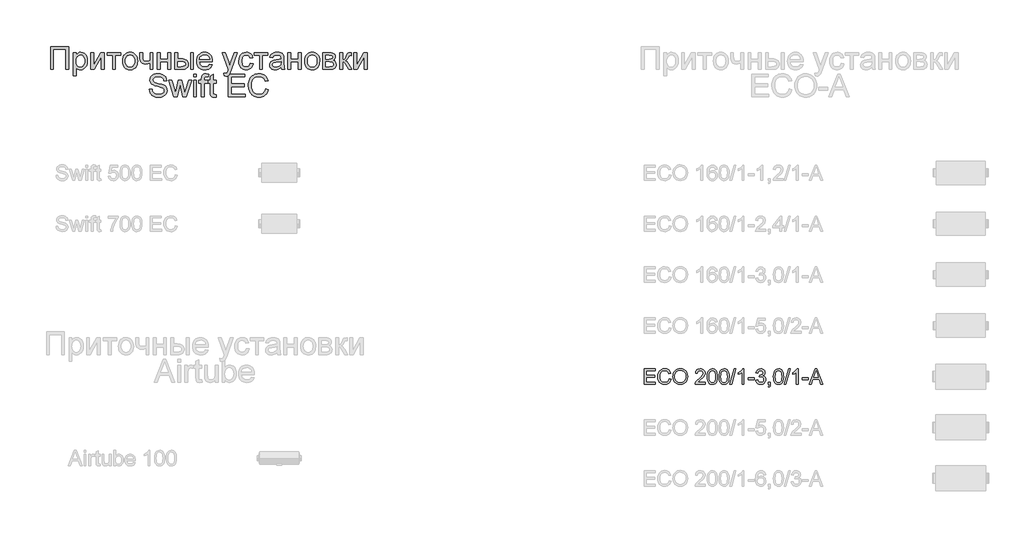
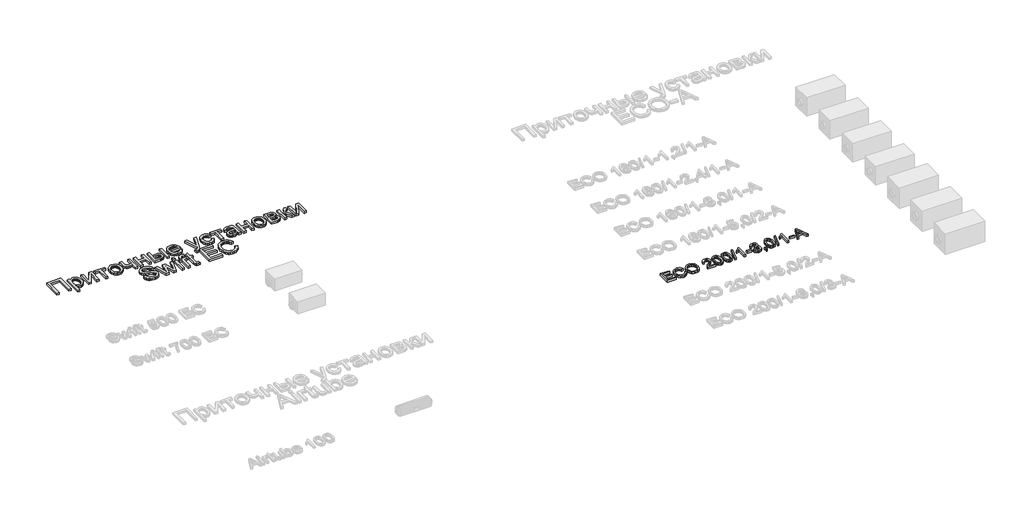
# One storey, part 34 of 74: 2 proxies.
"""IFC4 building model written with IfcOpenShell, lengths in millimetres."""

from ifc_helpers import new_model, si_unit, origin, origin_with_axes, place, context, project, spatial, polyline, outline, extrude, element, save

model = new_model("IFC4")

# Units and contexts
model_context = context("Model", 3, world=origin())
ifc_project = project(units=[si_unit("LENGTHUNIT", "METRE", prefix="MILLI")], contexts=[model_context])

# Site, building, storey
site = spatial("IfcSite", under=ifc_project)
building = spatial("IfcBuilding", under=site)
storey = spatial("IfcBuildingStorey", under=building, Elevation=0.0)

# Proxies
placement = place(None, origin())
element("IfcBuildingElementProxy", 1, Name="Generic Models", at=placement, inside=storey, context=model_context, shape_type="SweptSolid", body=[
    extrude(outline(polyline([(111.9197938, -1277.4716513), (463.2136554, -1277.4716513), (463.2136554, -1727.1277941), (407.0066376, -1727.1277941), (407.0066376, -1333.6786691), (168.1268117, -1333.6786691), (168.1268117, -1727.1277941), (111.9197938, -1727.1277941), (111.9197938, -1277.4716513)])), origin_with_axes(), (0.0, 0.0, 1.0), 50.0),
    extrude(outline(polyline([(554.5500594, -1853.5935843), (554.5500594, -1396.9115642), (610.7570773, -1396.9115642), (610.7570773, -1452.0207887), (629.0902257, -1424.8366817), (649.6189607, -1405.4194624), (673.550855, -1393.7691308), (702.0934813, -1389.885687), (740.1045749, -1395.3197639), (773.3402676, -1411.6219947), (800.4008729, -1437.8043653), (819.8867043, -1472.8788618), (831.6605376, -1514.2931147), (835.5851487, -1559.4947545), (831.1528082, -1607.5643794), (817.8557866, -1650.5567102), (796.1194789, -1686.2898827), (766.36928, -1712.5820326), (731.7201784, -1728.7607616), (695.2871627, -1734.1536713), (669.4478525, -1730.5446758), (646.3804704, -1719.7176892), (626.6339131, -1703.3742912), (610.7570773, -1683.2160614), (610.7570773, -1853.5935843), (554.5500594, -1853.5935843)]), holes=[polyline([(610.7570773, -1564.6543831), (612.2768349, -1591.7424332), (616.8361078, -1615.0430964), (624.4348959, -1634.5563726), (635.0731993, -1650.2822619), (647.8796444, -1662.3854332), (661.982858, -1671.0305556), (677.3828398, -1676.217629), (694.0795901, -1677.9466535), (711.0164826, -1676.1558781), (726.697774, -1670.7835521), (741.1234643, -1661.8296753), (754.2935535, -1649.2942479), (765.2680561, -1632.9988783), (773.1069865, -1612.7651752), (777.8103448, -1588.5931386), (779.3781308, -1560.4827685), (777.8480814, -1533.6279995), (773.2579331, -1510.3685036), (765.6076859, -1490.7042808), (754.8973399, -1474.6353311), (742.0600193, -1462.1479321), (728.0288484, -1453.2283614), (712.8038273, -1447.876619), (696.384956, -1446.0927048), (680.0175438, -1447.9898289), (664.6175619, -1453.6812011), (650.1850104, -1463.1668215), (636.7198892, -1476.4466901), (625.361159, -1493.3424153), (617.2477803, -1513.6756059), (612.379753, -1537.4462619), (610.7570773, -1564.6543831)])]), origin_with_axes(), (0.0, 0.0, 1.0), 50.0),
    extrude(outline(polyline([(898.8180438, -1396.9115642), (955.0250616, -1396.9115642), (955.0250616, -1648.7453512), (1093.127461, -1396.9115642), (1165.8013786, -1396.9115642), (1165.8013786, -1727.1277941), (1109.5943607, -1727.1277941), (1109.5943607, -1476.8309177), (972.370196, -1727.1277941), (898.8180438, -1727.1277941), (898.8180438, -1396.9115642)])), origin_with_axes(), (0.0, 0.0, 1.0), 50.0),
    extrude(outline(polyline([(1222.0083964, -1396.9115642), (1488.9917312, -1396.9115642), (1488.9917312, -1453.1185821), (1383.6035727, -1453.1185821), (1383.6035727, -1727.1277941), (1327.3965549, -1727.1277941), (1327.3965549, -1453.1185821), (1222.0083964, -1453.1185821), (1222.0083964, -1396.9115642)])), origin_with_axes(), (0.0, 0.0, 1.0), 50.0),
    extrude(outline(polyline([(1524.1211174, -1562.0196791), (1527.1606326, -1519.2537682), (1536.2791784, -1482.4022188), (1551.4767546, -1451.4650309), (1572.7533613, -1426.4422044), (1594.1740534, -1410.4487281), (1617.817777, -1399.0248163), (1643.6845321, -1392.1704693), (1671.7743186, -1389.885687), (1702.7835492, -1392.6679069), (1730.8218766, -1401.0145667), (1755.8893009, -1414.9256664), (1777.985822, -1434.401206), (1796.0205079, -1458.7825095), (1808.9024263, -1487.4109008), (1816.6315774, -1520.2863801), (1819.2079611, -1557.4089472), (1814.6521188, -1614.1923066), (1808.957316, -1637.4998309), (1800.984592, -1657.4179184), (1778.6033308, -1689.7890989), (1747.9062851, -1714.0091639), (1711.4458246, -1729.1175445), (1671.7743186, -1734.1536713), (1640.3122482, -1731.3817432), (1612.0131949, -1723.0659588), (1586.8771585, -1709.2063182), (1564.9041391, -1689.8028213), (1547.0615671, -1665.1848062), (1534.3168728, -1635.6816107), (1526.6700562, -1601.2932351), (1524.1211174, -1562.0196791)]), holes=[polyline([(1580.3281352, -1561.9098998), (1581.9542416, -1589.1729107), (1586.8325606, -1612.7788977), (1594.9630924, -1632.7278606), (1606.3458369, -1649.0197996), (1620.1917551, -1661.6752981), (1635.7118081, -1670.71494), (1652.9059959, -1676.1387251), (1671.7743186, -1677.9466535), (1690.5465843, -1676.1284333), (1707.6721601, -1670.6737727), (1723.1510458, -1661.5826718), (1736.9832416, -1648.8551306), (1748.3659861, -1632.4019532), (1756.4965178, -1612.1339441), (1761.3748369, -1588.0511032), (1763.0009433, -1560.1534305), (1761.3645451, -1533.7549318), (1756.4553506, -1510.7664536), (1748.2733598, -1491.1879959), (1736.8185726, -1475.0195587), (1722.9349178, -1462.3640602), (1707.4663238, -1453.3244183), (1690.4127907, -1447.9006332), (1671.7743186, -1446.0927048), (1652.9059959, -1447.893772), (1635.7118081, -1453.2969735), (1620.1917551, -1462.3023093), (1606.3458369, -1474.9097794), (1594.9630924, -1491.1536899), (1586.8325606, -1511.0683468), (1581.9542416, -1534.6537501), (1580.3281352, -1561.9098998)])]), origin_with_axes(), (0.0, 0.0, 1.0), 50.0),
    extrude(outline(polyline([(1861.3632245, -1396.9115642), (1917.5702423, -1396.9115642), (1917.5702423, -1460.2542386), (1922.1260846, -1519.6448571), (1929.8792499, -1536.907657), (1944.0270613, -1551.8102013), (1963.5677823, -1562.1020136), (1987.4996767, -1565.5326178), (2021.8880523, -1561.2786687), (2065.1136642, -1548.5168213), (2065.1136642, -1396.9115642), (2121.3206821, -1396.9115642), (2121.3206821, -1727.1277941), (2065.1136642, -1727.1277941), (2065.1136642, -1602.4184732), (2017.1400962, -1616.909345), (1972.4599082, -1621.7396356), (1938.4694826, -1616.7035088), (1908.7330061, -1601.5951282), (1885.5558447, -1579.1864221), (1871.2433643, -1552.2493186), (1863.8332595, -1521.5934402), (1861.3632245, -1488.0284096), (1861.3632245, -1396.9115642)])), origin_with_axes(), (0.0, 0.0, 1.0), 50.0),
    extrude(outline(polyline([(2205.6312088, -1396.9115642), (2261.8382267, -1396.9115642), (2261.8382267, -1523.3773544), (2409.3816486, -1523.3773544), (2409.3816486, -1396.9115642), (2465.5886664, -1396.9115642), (2465.5886664, -1727.1277941), (2409.3816486, -1727.1277941), (2409.3816486, -1579.5843722), (2261.8382267, -1579.5843722), (2261.8382267, -1727.1277941), (2205.6312088, -1727.1277941), (2205.6312088, -1396.9115642)])), origin_with_axes(), (0.0, 0.0, 1.0), 50.0),
    extrude(outline(polyline([(2549.8991932, -1396.9115642), (2606.106211, -1396.9115642), (2606.106211, -1516.3514771), (2675.596528, -1516.3514771), (2707.573189, -1518.1113771), (2735.6595449, -1523.3910768), (2759.8555957, -1532.1905763), (2780.1613415, -1544.5098757), (2796.2268606, -1559.92358), (2807.7022314, -1578.0062943), (2814.5874538, -1598.7580186), (2816.882528, -1622.1787529), (2814.9579591, -1643.0745626), (2809.1842523, -1662.3991556), (2799.5614078, -1680.1525319), (2786.0894254, -1696.3346915), (2768.3909388, -1709.8066739), (2746.0885814, -1719.4295184), (2719.1823533, -1725.2032252), (2687.6722545, -1727.1277941), (2549.8991932, -1727.1277941), (2549.8991932, -1396.9115642)]), holes=[polyline([(2606.106211, -1670.9207762), (2663.8501395, -1670.9207762), (2708.612662, -1667.9704567), (2738.3903058, -1659.1194981), (2755.104209, -1644.0111175), (2760.6755101, -1622.2885323), (2756.5450628, -1603.927939), (2744.1537207, -1587.7080428), (2733.3987768, -1581.0801156), (2717.6557345, -1576.3458819), (2671.2053548, -1572.558495), (2606.106211, -1572.558495), (2606.106211, -1670.9207762)])]), origin_with_axes(), (0.0, 0.0, 1.0), 50.0),
    extrude(outline(polyline([(2859.0377914, -1396.9115642), (2915.2448092, -1396.9115642), (2915.2448092, -1727.1277941), (2859.0377914, -1727.1277941), (2859.0377914, -1396.9115642)])), origin_with_axes(), (0.0, 0.0, 1.0), 50.0),
    extrude(outline(polyline([(3230.7506086, -1628.7655128), (3285.8598332, -1635.7913901), (3277.4102552, -1657.863897), (3266.0034966, -1677.3154223), (3251.6395571, -1694.1459661), (3234.3184369, -1708.3555284), (3214.2185274, -1719.6422159), (3191.51822, -1727.7041356), (3166.2175146, -1732.5412874), (3138.3164113, -1734.1536713), (3103.4408899, -1731.3714514), (3072.3664778, -1723.0247916), (3045.093175, -1709.1136919), (3021.6209817, -1689.6381523), (3002.7457978, -1665.1402083), (2989.2635236, -1636.1618953), (2981.1741591, -1602.7032134), (2978.4777043, -1564.7641624), (2981.201604, -1525.538635), (2989.373303, -1490.9650067), (3002.9928013, -1461.0432776), (3022.060099, -1435.7734476), (3045.4705415, -1415.6975524), (3072.1194743, -1401.3576271), (3102.0068973, -1392.753672), (3135.1328107, -1389.885687), (3167.1918062, -1392.7468108), (3196.1838416, -1401.3301823), (3222.1089169, -1415.6358015), (3244.9670321, -1435.6636683), (3263.6260879, -1460.8786086), (3276.9539849, -1490.745448), (3284.9507231, -1525.2641866), (3287.6163025, -1564.4348244), (3287.2869645, -1579.5843722), (3034.6847222, -1579.5843722), (3037.9403655, -1602.0136619), (3044.4139154, -1621.6573011), (3054.1053721, -1638.5152897), (3067.0147354, -1652.5876278), (3082.4284397, -1663.6822015), (3099.6329193, -1671.6068971), (3118.6281743, -1676.3617144), (3139.4142046, -1677.9466535), (3169.3290725, -1675.0100563), (3194.5234292, -1666.200265), (3214.9972745, -1650.9683827), (3230.7506086, -1628.7655128)]), holes=[polyline([(3034.6847222, -1523.3773544), (3231.4092846, -1523.3773544), (3223.8070659, -1493.6820451), (3208.9045216, -1472.4397444), (3193.5765824, -1460.9129146), (3176.1353911, -1452.6794647), (3156.5809476, -1447.7393948), (3134.913252, -1446.0927048), (3097.0256602, -1451.3483903), (3065.6973834, -1467.1154469), (3053.2408598, -1478.5153443), (3043.9199084, -1491.6922947), (3037.7345292, -1506.6462981), (3034.6847222, -1523.3773544)])]), origin_with_axes(), (0.0, 0.0, 1.0), 50.0),
    extrude(outline(polyline([(3519.4702511, -1853.5935843), (3512.4443739, -1799.4723737), (3540.9870002, -1804.4124436), (3555.9993238, -1802.8618106), (3567.6633778, -1798.2099114), (3584.0204982, -1780.9196666), (3599.3896046, -1739.5328586), (3603.7807779, -1725.9202214), (3484.340865, -1396.9115642), (3543.6217041, -1396.9115642), (3606.9643785, -1580.2430482), (3629.0300242, -1653.5756418), (3651.0956699, -1588.8058361), (3716.1948136, -1396.9115642), (3775.0365354, -1396.9115642), (3660.0975751, -1735.031906), (3630.2375969, -1808.3644996), (3614.9508249, -1831.7749421), (3597.6331353, -1847.9948383), (3577.5160728, -1857.4633057), (3553.831182, -1860.6194615), (3519.4702511, -1853.5935843)])), origin_with_axes(), (0.0, 0.0, 1.0), 50.0),
    extrude(outline(polyline([(4032.359289, -1607.6878812), (4088.5663069, -1614.7137584), (4082.4529703, -1641.2357588), (4072.8953073, -1664.7045216), (4059.8933177, -1685.1200467), (4043.4470015, -1702.4823341), (4024.2493409, -1716.3385441), (4002.9933178, -1726.235837), (3979.6789322, -1732.1742127), (3954.3061842, -1734.1536713), (3922.7823629, -1731.392035), (3894.5176156, -1723.1071261), (3869.5119422, -1709.2989445), (3847.7653427, -1689.9674903), (3830.162913, -1665.4764075), (3817.5897489, -1636.1893402), (3810.0458504, -1602.1062883), (3807.5312176, -1563.2272518), (3811.826334, -1513.2090438), (3824.711683, -1469.8599301), (3834.4271539, -1451.1048174), (3846.3931011, -1434.8540457), (3860.6095245, -1421.107615), (3877.0764243, -1409.8655254), (3913.7838883, -1394.8806466), (3953.5377288, -1389.885687), (3978.4747902, -1391.600989), (4001.0310122, -1396.7468952), (4021.206395, -1405.3234055), (4039.0009386, -1417.3305199), (4054.1127497, -1432.4937901), (4066.2399353, -1450.5387678), (4075.3824953, -1471.4654529), (4081.5404297, -1495.2738454), (4025.3334118, -1502.2997227), (4015.1376564, -1477.7777645), (3999.2608205, -1460.199349), (3978.5811389, -1449.6193659), (3953.9768462, -1446.0927048), (3934.878673, -1447.8285905), (3917.6536098, -1453.0362476), (3902.3016564, -1461.715676), (3888.8228128, -1473.8668758), (3877.8483102, -1489.7711564), (3870.0093798, -1509.7098276), (3865.3060216, -1533.6828891), (3863.7382355, -1561.6903412), (3865.2717155, -1590.1197575), (3869.8721556, -1614.370698), (3877.5395558, -1634.4431627), (3888.2739161, -1650.3371515), (3901.4851726, -1662.4163086), (3916.5832613, -1671.044278), (3933.5681823, -1676.2210596), (3952.4399355, -1677.9466535), (3981.5451809, -1673.6378147), (4005.4084631, -1660.7112984), (4022.7673199, -1638.8377665), (4032.359289, -1607.6878812)])), origin_with_axes(), (0.0, 0.0, 1.0), 50.0),
    extrude(outline(polyline([(4109.6439386, -1396.9115642), (4376.6272734, -1396.9115642), (4376.6272734, -1453.1185821), (4271.2391149, -1453.1185821), (4271.2391149, -1727.1277941), (4215.0320971, -1727.1277941), (4215.0320971, -1453.1185821), (4109.6439386, -1453.1185821), (4109.6439386, -1396.9115642)])), origin_with_axes(), (0.0, 0.0, 1.0), 50.0),
    extrude(outline(polyline([(4636.5847309, -1684.9725307), (4609.7299619, -1707.9987455), (4582.0792927, -1723.0659588), (4553.0014922, -1731.3817432), (4521.8653293, -1734.1536713), (4496.8390722, -1732.4863977), (4474.8934977, -1727.4845769), (4456.0286057, -1719.1482089), (4440.2443961, -1707.4772937), (4427.7810114, -1693.2128418), (4418.8785937, -1677.0958636), (4413.5371431, -1659.1263593), (4411.7566595, -1639.3043287), (4414.4462532, -1616.0036655), (4422.515034, -1594.8436993), (4434.9612658, -1576.7301096), (4450.783212, -1562.5685758), (4469.3770863, -1551.865091), (4490.1391024, -1544.1256481), (4538.7713464, -1535.6726395), (4596.2408265, -1526.7805137), (4636.2553929, -1516.3514771), (4636.5847309, -1503.8366333), (4632.7150095, -1478.752056), (4621.1058452, -1462.3400459), (4595.1430332, -1450.1545401), (4558.9707434, -1446.0927048), (4525.4880472, -1448.7960209), (4502.1050496, -1456.905969), (4486.1596016, -1471.9045702), (4474.9895546, -1495.2738454), (4418.7825368, -1488.2479682), (4428.5391749, -1457.5097553), (4443.0986587, -1433.3583023), (4463.8195076, -1414.8879298), (4492.0602407, -1401.1929581), (4526.599563, -1392.7125048), (4566.2161793, -1389.885687), (4604.2135505, -1392.3831668), (4634.3342546, -1399.8756062), (4657.0448539, -1411.1417101), (4672.8119104, -1424.9601835), (4683.2683918, -1442.044592), (4690.0472655, -1463.1085012), (4692.7917488, -1512.2896419), (4692.7917488, -1582.2190762), (4695.6460114, -1679.8677918), (4706.8435033, -1727.1277941), (4650.6364854, -1727.1277941), (4641.6345802, -1707.587073), (4636.5847309, -1684.9725307)]), holes=[polyline([(4636.5847309, -1572.558495), (4598.8206408, -1581.917183), (4545.9070029, -1589.7938501), (4497.5492073, -1598.9055346), (4484.9657514, -1605.1355117), (4475.6482306, -1613.7257444), (4469.8848157, -1624.0175567), (4467.9636774, -1635.3522728), (4472.1490144, -1652.066176), (4484.7050255, -1665.7611476), (4505.3572623, -1674.900277), (4533.8312764, -1677.9466535), (4564.0205927, -1674.5846614), (4590.6969703, -1664.4986853), (4612.3234986, -1649.6373083), (4627.3632671, -1631.9491135), (4634.0323615, -1613.7257444), (4636.2553929, -1588.4764981), (4636.5847309, -1572.558495)])]), origin_with_axes(), (0.0, 0.0, 1.0), 50.0),
    extrude(outline(polyline([(4770.0763983, -1396.9115642), (4826.2834162, -1396.9115642), (4826.2834162, -1523.3773544), (4973.8268381, -1523.3773544), (4973.8268381, -1396.9115642), (5030.0338559, -1396.9115642), (5030.0338559, -1727.1277941), (4973.8268381, -1727.1277941), (4973.8268381, -1579.5843722), (4826.2834162, -1579.5843722), (4826.2834162, -1727.1277941), (4770.0763983, -1727.1277941), (4770.0763983, -1396.9115642)])), origin_with_axes(), (0.0, 0.0, 1.0), 50.0),
    extrude(outline(polyline([(5100.2926282, -1562.0196791), (5103.3321435, -1519.2537682), (5112.4506892, -1482.4022188), (5127.6482655, -1451.4650309), (5148.9248722, -1426.4422044), (5170.3455643, -1410.4487281), (5193.9892879, -1399.0248163), (5219.8560429, -1392.1704693), (5247.9458294, -1389.885687), (5278.95506, -1392.6679069), (5306.9933875, -1401.0145667), (5332.0608118, -1414.9256664), (5354.1573329, -1434.401206), (5372.1920187, -1458.7825095), (5385.0739372, -1487.4109008), (5392.8030883, -1520.2863801), (5395.3794719, -1557.4089472), (5390.8236297, -1614.1923066), (5385.1288268, -1637.4998309), (5377.1561029, -1657.4179184), (5354.7748416, -1689.7890989), (5324.077796, -1714.0091639), (5287.6173354, -1729.1175445), (5247.9458294, -1734.1536713), (5216.4837591, -1731.3817432), (5188.1847057, -1723.0659588), (5163.0486693, -1709.2063182), (5141.07565, -1689.8028213), (5123.233078, -1665.1848062), (5110.4883837, -1635.6816107), (5102.8415671, -1601.2932351), (5100.2926282, -1562.0196791)]), holes=[polyline([(5156.4996461, -1561.9098998), (5158.1257524, -1589.1729107), (5163.0040715, -1612.7788977), (5171.1346032, -1632.7278606), (5182.5173477, -1649.0197996), (5196.3632659, -1661.6752981), (5211.8833189, -1670.71494), (5229.0775068, -1676.1387251), (5247.9458294, -1677.9466535), (5266.7180951, -1676.1284333), (5283.8436709, -1670.6737727), (5299.3225567, -1661.5826718), (5313.1547525, -1648.8551306), (5324.5374969, -1632.4019532), (5332.6680287, -1612.1339441), (5337.5463477, -1588.0511032), (5339.1724541, -1560.1534305), (5337.5360559, -1533.7549318), (5332.6268614, -1510.7664536), (5324.4448706, -1491.1879959), (5312.9900835, -1475.0195587), (5299.1064286, -1462.3640602), (5283.6378346, -1453.3244183), (5266.5843016, -1447.9006332), (5247.9458294, -1446.0927048), (5229.0775068, -1447.893772), (5211.8833189, -1453.2969735), (5196.3632659, -1462.3023093), (5182.5173477, -1474.9097794), (5171.1346032, -1491.1536899), (5163.0040715, -1511.0683468), (5158.1257524, -1534.6537501), (5156.4996461, -1561.9098998)])]), origin_with_axes(), (0.0, 0.0, 1.0), 50.0),
    extrude(outline(polyline([(5458.612367, -1396.9115642), (5582.4434532, -1396.9115642), (5622.2521834, -1398.7915353), (5650.3419699, -1404.4314484), (5671.0079291, -1415.0800436), (5688.5451774, -1431.9860607), (5700.5248469, -1454.0105391), (5704.5180701, -1480.0145183), (5702.1029248, -1500.9686483), (5694.8574889, -1519.0410708), (5682.7543176, -1534.3141203), (5665.765966, -1546.8701314), (5686.5691494, -1558.5479078), (5703.5300561, -1577.3338959), (5714.8098825, -1601.7460748), (5718.5698246, -1630.3024235), (5715.4479749, -1653.3080547), (5709.0464676, -1673.1438077), (5699.3653028, -1689.8096825), (5686.4044804, -1703.3056791), (5670.1434169, -1713.7278544), (5650.5615286, -1721.1722653), (5627.6588155, -1725.6389119), (5601.4352776, -1727.1277941), (5458.612367, -1727.1277941), (5458.612367, -1396.9115642)]), holes=[polyline([(5514.8193849, -1523.3773544), (5570.3677267, -1523.3773544), (5616.2005977, -1520.5230917), (5638.4858021, -1509.1060412), (5645.8547397, -1499.6650187), (5648.3110523, -1488.4675269), (5644.0022135, -1471.698734), (5631.0756972, -1460.9129146), (5607.7201444, -1455.0671652), (5572.1241961, -1453.1185821), (5514.8193849, -1453.1185821), (5514.8193849, -1523.3773544)]), polyline([(5514.8193849, -1670.9207762), (5583.7608052, -1670.9207762), (5621.3327815, -1668.3821292), (5644.907893, -1660.766188), (5657.559961, -1646.9202698), (5662.3628067, -1625.6916916), (5659.9613839, -1611.6262147), (5652.7571152, -1598.6310863), (5641.6968475, -1588.4627757), (5627.7274276, -1582.8777522), (5578.2718386, -1579.5843722), (5514.8193849, -1579.5843722), (5514.8193849, -1670.9207762)])]), origin_with_axes(), (0.0, 0.0, 1.0), 50.0),
    extrude(outline(polyline([(5788.8285969, -1396.9115642), (5845.0356148, -1396.9115642), (5845.0356148, -1537.4291088), (5867.8971606, -1534.9041842), (5882.6899256, -1527.3294103), (5895.7811109, -1507.5691306), (5913.5379178, -1468.4876885), (5927.8503981, -1436.5281805), (5939.1713917, -1417.7147476), (5949.7376524, -1407.4641025), (5961.7859341, -1401.1929581), (6002.8982938, -1396.9115642), (6013.6566683, -1396.9115642), (6013.6566683, -1453.4479201), (5998.5071205, -1453.1185821), (5980.9424275, -1454.600603), (5971.0622876, -1459.046666), (5951.7411252, -1496.0423008), (5939.871235, -1520.7014832), (5929.0716932, -1536.0568672), (5915.9942303, -1546.3075123), (5897.2905767, -1555.6524779), (5915.1022732, -1563.563451), (5932.7493008, -1577.5260098), (5950.2316594, -1597.5401542), (5967.549349, -1623.6058843), (6027.7084228, -1727.1277941), (5963.8168517, -1727.1277941), (5904.8653506, -1625.8014709), (5888.9473475, -1598.8369225), (5875.224931, -1582.9326418), (5861.3652904, -1575.1520317), (5845.0356148, -1572.558495), (5845.0356148, -1727.1277941), (5788.8285969, -1727.1277941), (5788.8285969, -1396.9115642)])), origin_with_axes(), (0.0, 0.0, 1.0), 50.0),
    extrude(outline(polyline([(6062.8378089, -1396.9115642), (6119.0448268, -1396.9115642), (6119.0448268, -1648.7453512), (6257.1472261, -1396.9115642), (6329.8211437, -1396.9115642), (6329.8211437, -1727.1277941), (6273.6141259, -1727.1277941), (6273.6141259, -1476.8309177), (6136.3899612, -1727.1277941), (6062.8378089, -1727.1277941), (6062.8378089, -1396.9115642)])), origin_with_axes(), (0.0, 0.0, 1.0), 50.0),
    extrude(outline(polyline([(2047.5489711, -2112.9905782), (2103.755989, -2112.9905782), (2110.2055247, -2144.1816308), (2121.8695787, -2169.2524857), (2140.065503, -2189.1499896), (2166.1106494, -2204.8209892), (2197.9466556, -2214.9892998), (2233.5151591, -2218.3787366), (2264.8297135, -2215.8126448), (2292.2471016, -2208.1143691), (2314.4636938, -2195.9288633), (2330.1758607, -2179.9010809), (2339.5208263, -2161.4993204), (2342.6358149, -2142.1918804), (2340.3030041, -2123.3784474), (2333.3045717, -2107.1173839), (2319.0881482, -2093.2440209), (2295.1013642, -2081.5936893), (2213.2608724, -2060.1318299), (2159.5376119, -2045.9291289), (2125.1629587, -2032.4125487), (2097.1829515, -2013.5030588), (2077.3540597, -1990.5866233), (2065.5390591, -1964.1572492), (2061.6007256, -1934.7089434), (2066.4721834, -1901.7888663), (2081.086557, -1871.0918207), (2105.0596185, -1845.0741191), (2138.0071405, -1826.192074), (2177.5551447, -1814.7064114), (2221.3296533, -1810.8778572), (2268.7543246, -1814.8848028), (2310.250912, -1826.9056397), (2344.3373945, -1846.6933642), (2369.5317511, -1874.000973), (2385.4771991, -1907.1268863), (2391.8169555, -1944.3695246), (2335.6099376, -1944.3695246), (2331.8499955, -1926.4343263), (2325.2906804, -1910.8319388), (2315.9319924, -1897.562362), (2303.7739314, -1886.6255961), (2288.5900776, -1878.0765307), (2270.1540111, -1871.9700553), (2223.5252399, -1867.0848751), (2175.7986754, -1871.9151657), (2157.5547227, -1877.9530289), (2143.0569897, -1886.4060375), (2124.120055, -1907.7306726), (2119.3858213, -1919.8955948), (2117.8077434, -1933.0622534), (2122.2812512, -1954.661337), (2135.7017745, -1972.0339162), (2167.4280014, -1987.5676917), (2227.4772959, -2003.4308051), (2289.4477286, -2018.4980184), (2326.9373704, -2031.6440934), (2358.9792129, -2052.0356042), (2381.3330293, -2077.202516), (2394.4653818, -2106.8703804), (2398.8428327, -2140.7647491), (2393.8067059, -2175.4138507), (2378.6983253, -2208.0045898), (2354.1351999, -2236.0532091), (2320.7348382, -2257.0759511), (2280.5693252, -2270.2083036), (2235.7107457, -2274.5857545), (2180.6426884, -2269.8652432), (2135.3175469, -2255.7037094), (2116.1782065, -2245.0688367), (2099.2138691, -2232.0462634), (2084.4245348, -2216.6359898), (2071.8102034, -2198.8380156), (2054.2180655, -2158.3843318), (2047.5489711, -2112.9905782)])), origin_with_axes(), (0.0, 0.0, 1.0), 50.0),
    extrude(outline(polyline([(2530.9073688, -2267.5598773), (2430.4592802, -1937.3436474), (2488.8618847, -1937.3436474), (2545.8373579, -2130.0063746), (2562.8531543, -2198.8380156), (2576.7951295, -2132.5312992), (2622.1339935, -1937.3436474), (2689.0993858, -1937.3436474), (2734.2186912, -2131.9824026), (2746.6237557, -2192.031697), (2764.4080074, -2128.6890226), (2821.4932599, -1937.3436474), (2880.1154231, -1937.3436474), (2778.8988792, -2267.5598773), (2710.9454728, -2267.5598773), (2667.8021955, -2073.9091361), (2655.2873517, -2013.5305036), (2599.6292305, -2267.5598773), (2530.9073688, -2267.5598773)])), origin_with_axes(), (0.0, 0.0, 1.0), 50.0),
    extrude(outline(polyline([(2918.7577478, -2267.5598773), (2918.7577478, -1937.3436474), (2974.9647657, -1937.3436474), (2974.9647657, -2267.5598773), (2918.7577478, -2267.5598773)])), origin_with_axes(), (0.0, 0.0, 1.0), 50.0),
    extrude(outline(polyline([(2918.7577478, -1874.1107523), (2918.7577478, -1817.9037344), (2974.9647657, -1817.9037344), (2974.9647657, -1874.1107523), (2918.7577478, -1874.1107523)])), origin_with_axes(), (0.0, 0.0, 1.0), 50.0),
    extrude(outline(polyline([(3073.3270469, -2267.5598773), (3073.3270469, -1993.5506652), (3024.1459063, -1993.5506652), (3024.1459063, -1937.3436474), (3073.3270469, -1937.3436474), (3073.3270469, -1904.0805099), (3074.8090679, -1876.5533424), (3079.2551308, -1857.2047352), (3090.562402, -1838.514804), (3108.0173158, -1823.722039), (3132.4432171, -1814.0889027), (3164.6634509, -1810.8778572), (3215.9303989, -1817.0254998), (3207.696949, -1869.719579), (3175.3120461, -1867.0848751), (3153.9462437, -1869.4176859), (3139.9082116, -1876.4161183), (3132.1276015, -1889.7817519), (3129.5340648, -1911.2161664), (3129.5340648, -1937.3436474), (3192.7669599, -1937.3436474), (3192.7669599, -1993.5506652), (3129.5340648, -1993.5506652), (3129.5340648, -2267.5598773), (3073.3270469, -2267.5598773)])), origin_with_axes(), (0.0, 0.0, 1.0), 50.0),
    extrude(outline(polyline([(3361.3880134, -2220.6841026), (3368.4138907, -2269.2065672), (3326.3684066, -2274.5857545), (3299.3901358, -2272.2529437), (3279.2730733, -2265.2545113), (3265.0566498, -2254.468692), (3255.7802963, -2240.7737203), (3250.6755574, -2217.2534985), (3248.9739777, -2176.9919286), (3248.9739777, -1993.5506652), (3206.8187143, -1993.5506652), (3206.8187143, -1937.3436474), (3248.9739777, -1937.3436474), (3248.9739777, -1857.0949559), (3305.1809956, -1824.051377), (3305.1809956, -1937.3436474), (3361.3880134, -1937.3436474), (3361.3880134, -1993.5506652), (3305.1809956, -1993.5506652), (3305.1809956, -2175.3452386), (3308.1450375, -2204.3269822), (3317.7507291, -2214.5913497), (3336.9072224, -2218.3787366), (3361.3880134, -2220.6841026)])), origin_with_axes(), (0.0, 0.0, 1.0), 50.0),
    extrude(outline(polyline([(3600.2678393, -2267.5598773), (3600.2678393, -1817.9037344), (3923.4581919, -1817.9037344), (3923.4581919, -1874.1107523), (3656.4748571, -1874.1107523), (3656.4748571, -2007.6024197), (3909.4064375, -2007.6024197), (3909.4064375, -2063.8094376), (3656.4748571, -2063.8094376), (3656.4748571, -2211.3528594), (3930.4840692, -2211.3528594), (3930.4840692, -2267.5598773), (3600.2678393, -2267.5598773)])), origin_with_axes(), (0.0, 0.0, 1.0), 50.0),
    extrude(outline(polyline([(4330.9590714, -2107.7211702), (4387.1660892, -2122.212042), (4376.0440707, -2157.1664674), (4361.2307221, -2187.7091358), (4342.7260435, -2213.8400474), (4320.5300349, -2235.5592021), (4295.1435644, -2252.6333188), (4267.0675003, -2264.8291164), (4236.3018426, -2272.146595), (4202.8465912, -2274.5857545), (4168.5714255, -2272.7400895), (4137.6513906, -2267.2030944), (4110.0864865, -2257.9747694), (4085.8767133, -2245.0551143), (4064.6893022, -2228.636243), (4046.1914848, -2208.9102693), (4030.3832611, -2185.8771932), (4017.2646309, -2159.5370148), (3999.6038809, -2101.4911932), (3993.7169643, -2039.3286466), (3995.3808073, -2005.4274167), (4000.3723362, -1973.7629407), (4008.6915512, -1944.3352186), (4020.3384522, -1917.1442503), (4035.0523133, -1892.6394451), (4052.5724085, -1871.2702121), (4072.8987379, -1853.0365512), (4096.0313014, -1837.9384625), (4121.1844908, -1826.0994477), (4147.5726977, -1817.6430085), (4175.195922, -1812.569145), (4204.0541639, -1810.8778572), (4236.2023551, -1813.0665826), (4265.6815362, -1819.6327589), (4292.4917074, -1830.5763861), (4316.6328686, -1845.897464), (4337.7070697, -1865.1911816), (4355.3163606, -1888.0527274), (4369.4607414, -1914.4821015), (4380.140212, -1944.4793039), (4323.9331941, -1957.8723824), (4304.4473628, -1916.8835244), (4292.0285759, -1901.2159554), (4277.8258748, -1888.7662931), (4261.7569251, -1879.2806727), (4243.7393923, -1872.5052296), (4201.8585772, -1867.0848751), (4176.643637, -1868.5874797), (4153.5831161, -1873.0952935), (4132.6770146, -1880.6083165), (4113.9253325, -1891.1265487), (4097.5647815, -1904.1765668), (4083.8320732, -1919.2849473), (4072.7272077, -1936.4516903), (4064.2501849, -1955.6767958), (4053.5055328, -1996.8166004), (4049.9239821, -2039.2188672), (4054.1642088, -2091.1444912), (4066.8848889, -2136.0442378), (4076.5454701, -2155.4305817), (4088.5663069, -2172.2028052), (4102.9473993, -2186.3609084), (4119.6887474, -2197.9048913), (4156.9999978, -2213.2602753), (4197.2478453, -2218.3787366), (4221.6840384, -2216.6359898), (4244.1647872, -2211.4077491), (4264.6900916, -2202.6940146), (4283.2599517, -2190.4947864), (4299.4352501, -2174.864954), (4312.7768696, -2155.8594072), (4323.28481, -2133.478146), (4330.9590714, -2107.7211702)])), origin_with_axes(), (0.0, 0.0, 1.0), 50.0),
])
element("IfcBuildingElementProxy", 2, Name="Generic Models", at=placement, inside=storey, context=model_context, shape_type="SweptSolid", body=[
    extrude(outline(polyline([(11765.719536, -7906.2904473), (11765.719536, -7604.9215169), (11982.3284547, -7604.9215169), (11982.3284547, -7642.5926332), (11803.3906523, -7642.5926332), (11803.3906523, -7732.0615344), (11972.9106757, -7732.0615344), (11972.9106757, -7769.7326507), (11803.3906523, -7769.7326507), (11803.3906523, -7868.619331), (11987.0373443, -7868.619331), (11987.0373443, -7906.2904473), (11765.719536, -7906.2904473)])), origin_with_axes(), (0.0, 0.0, 1.0), 50.0),
    extrude(outline(polyline([(12255.444048, -7799.1632103), (12293.1151643, -7808.875295), (12285.6609553, -7832.3024803), (12275.73274, -7852.7728141), (12263.3305182, -7870.2862963), (12248.4542901, -7884.842927), (12231.4397478, -7896.2863563), (12212.6225837, -7904.4602344), (12192.0027979, -7909.3645613), (12169.5803903, -7910.9993369), (12125.8852063, -7906.051324), (12091.1847371, -7891.2072855), (12064.5868689, -7866.9822562), (12045.1994877, -7833.8912707), (12033.3628845, -7794.9877497), (12029.4173501, -7753.3251137), (12033.8779193, -7709.3816094), (12047.2596269, -7671.4345816), (12068.8634971, -7640.6888439), (12097.990554, -7618.3492097), (12132.5346734, -7604.7467729), (12170.3897307, -7600.2126274), (12211.6936817, -7606.0803452), (12229.6624179, -7613.4149925), (12245.8423279, -7623.6834986), (12259.9666972, -7636.6145508), (12271.7688115, -7651.9368359), (12288.4062747, -7689.755105), (12250.7351584, -7698.7314257), (12237.6753476, -7671.2598377), (12219.8330708, -7652.4150825), (12196.9875989, -7641.5165784), (12168.9182027, -7637.8837437), (12136.5629812, -7641.9120515), (12109.9835071, -7653.996975), (12089.8143767, -7672.8693214), (12076.6901865, -7697.2598977), (12069.4888964, -7724.8326532), (12067.0884664, -7753.2515373), (12069.9303548, -7788.0531741), (12078.4560201, -7818.1459213), (12092.9873589, -7842.3801477), (12113.846268, -7859.6062222), (12138.8530466, -7869.897721), (12165.8279939, -7873.3282206), (12197.2727075, -7868.6561192), (12223.4751026, -7854.6398152), (12243.2579569, -7831.4264613), (12255.444048, -7799.1632103)])), origin_with_axes(), (0.0, 0.0, 1.0), 50.0),
    extrude(outline(polyline([(12330.7862806, -7759.5791077), (12333.2970752, -7724.2302465), (12340.829459, -7692.9372842), (12353.3834321, -7665.700221), (12370.9589944, -7642.5190568), (12392.5030838, -7624.0099939), (12416.9626379, -7610.7892347), (12444.3376569, -7602.8567792), (12474.6281407, -7600.2126274), (12514.1570611, -7605.1790343), (12549.6024913, -7620.0782551), (12579.0330509, -7643.8618261), (12600.5173594, -7675.4812836), (12613.6507467, -7713.4099173), (12618.0285424, -7756.1210169), (12613.4208204, -7799.4023336), (12599.5976544, -7837.8643962), (12577.3223996, -7869.539036), (12547.3584111, -7892.4580843), (12512.2164835, -7906.3640237), (12474.4074115, -7910.9993369), (12434.2714858, -7905.8765801), (12398.6237205, -7890.5083097), (12369.2667373, -7866.2832804), (12348.0031579, -7834.5902465), (12335.0904999, -7798.1239437), (12330.7862806, -7759.5791077)]), holes=[polyline([(12368.4573969, -7759.9469897), (12370.3404928, -7784.9215786), (12375.9897807, -7807.0910673), (12385.4052605, -7826.4554559), (12398.5869323, -7843.0147442), (12414.6104924, -7856.2768901), (12432.5516375, -7865.7498515), (12452.4103674, -7871.4336283), (12474.1866823, -7873.3282206), (12496.3354777, -7871.4152342), (12516.4287324, -7865.6762751), (12534.4664465, -7856.1113432), (12550.4486199, -7842.7204386), (12563.5337226, -7825.8116624), (12572.8802245, -7805.6931158), (12578.4881257, -7782.3647987), (12580.3574261, -7755.8267113), (12577.1568527, -7722.4782085), (12567.5551327, -7693.6546541), (12551.8005862, -7670.0826153), (12530.1415338, -7652.4886589), (12504.0127151, -7641.5349725), (12474.8488699, -7637.8837437), (12453.8290124, -7639.6426794), (12434.3266681, -7644.9194868), (12416.3418371, -7653.7141658), (12399.8745193, -7666.0267163), (12386.1295282, -7682.4503481), (12376.3116775, -7703.5782709), (12370.420967, -7729.4104848), (12368.4573969, -7759.9469897)])]), origin_with_axes(), (0.0, 0.0, 1.0), 50.0),
    extrude(outline(polyline([(12966.4863682, -7868.619331), (12966.4863682, -7906.2904473), (12768.7130076, -7906.2904473), (12772.7597096, -7880.3179785), (12782.04873, -7860.0200894), (12795.6419697, -7840.3292056), (12815.3052623, -7819.7186168), (12842.8044415, -7796.6616128), (12883.4554019, -7760.553995), (12907.8459782, -7733.9009444), (12920.0412663, -7712.2694831), (12924.1063624, -7691.226633), (12920.2711926, -7672.3634837), (12908.7656832, -7656.6825136), (12891.0797563, -7646.1151033), (12868.7033339, -7642.5926332), (12845.2048715, -7646.0323299), (12826.9487275, -7656.3514198), (12815.1673066, -7672.7405627), (12811.0930135, -7694.3904181), (12773.4218972, -7689.6815286), (12782.5545677, -7653.242817), (12791.1009263, -7638.7068796), (12802.3006338, -7626.6265546), (12815.8961728, -7617.1306006), (12831.6300259, -7610.3477763), (12869.5126743, -7604.9215169), (12889.7024981, -7606.4298331), (12907.6712343, -7610.9547816), (12923.4188829, -7618.4963625), (12936.945444, -7629.0545758), (12947.8094592, -7641.8476722), (12955.56947, -7656.0939024), (12960.2254765, -7671.7932666), (12961.7774787, -7688.9457646), (12960.1036156, -7706.9627853), (12955.0820264, -7724.6671063), (12946.1700851, -7742.67493), (12932.8251657, -7761.6024586), (12911.5523893, -7784.1996102), (12878.856877, -7813.2163026), (12835.520378, -7849.4526791), (12818.5242298, -7868.619331), (12966.4863682, -7868.619331)])), origin_with_axes(), (0.0, 0.0, 1.0), 50.0),
    extrude(outline(polyline([(13004.1574845, -7758.0340033), (13006.9257966, -7709.7954767), (13015.2307326, -7671.324217), (13028.9895192, -7642.0316132), (13048.119383, -7621.3290539), (13072.7582796, -7609.0234011), (13103.0441648, -7604.9215169), (13126.2575187, -7607.3495381), (13147.0428515, -7614.6336016), (13164.4252757, -7626.4885989), (13177.4299043, -7642.6294214), (13187.2523535, -7662.9181134), (13195.08824, -7687.2167192), (13200.2201939, -7718.0728216), (13201.9308451, -7758.0340033), (13199.1901243, -7805.9966184), (13190.9679617, -7844.3759076), (13177.2919485, -7873.6961026), (13158.1896759, -7894.4814353), (13133.495597, -7906.8698615), (13103.0441648, -7910.9993369), (13082.2956203, -7909.2059122), (13063.9015206, -7903.825638), (13047.8618656, -7894.8585143), (13034.1766553, -7882.3045413), (13021.0432681, -7859.6108207), (13011.6622772, -7831.3344908), (13006.0336827, -7797.4755517), (13004.1574845, -7758.0340033)]), holes=[polyline([(13041.8286008, -7757.9604269), (13046.2431848, -7817.2170193), (13051.7614147, -7837.4850179), (13059.4869366, -7851.5128183), (13079.2054116, -7867.87437), (13103.0441648, -7873.3282206), (13126.8829181, -7867.8559759), (13146.6013931, -7851.4392419), (13154.326915, -7837.3884489), (13159.8451449, -7817.1250488), (13164.2597288, -7757.9604269), (13159.9922977, -7700.0374067), (13154.6580088, -7679.8360867), (13147.1900043, -7665.4748933), (13127.5083175, -7648.3131982), (13102.6027065, -7642.5926332), (13079.0214706, -7647.6326165), (13060.0755478, -7662.7525665), (13052.0925085, -7678.3875513), (13046.3903376, -7699.4671897), (13041.8286008, -7757.9604269)])]), origin_with_axes(), (0.0, 0.0, 1.0), 50.0),
    extrude(outline(polyline([(13234.8930719, -7758.0340033), (13237.6613839, -7709.7954767), (13245.96632, -7671.324217), (13259.7251066, -7642.0316132), (13278.8549703, -7621.3290539), (13303.493867, -7609.0234011), (13333.7797522, -7604.9215169), (13356.9931061, -7607.3495381), (13377.7784388, -7614.6336016), (13395.1608631, -7626.4885989), (13408.1654916, -7642.6294214), (13417.9879409, -7662.9181134), (13425.8238274, -7687.2167192), (13430.9557812, -7718.0728216), (13432.6664325, -7758.0340033), (13429.9257117, -7805.9966184), (13421.7035491, -7844.3759076), (13408.0275359, -7873.6961026), (13388.9252633, -7894.4814353), (13364.2311844, -7906.8698615), (13333.7797522, -7910.9993369), (13313.0312077, -7909.2059122), (13294.6371079, -7903.825638), (13278.5974529, -7894.8585143), (13264.9122427, -7882.3045413), (13251.7788555, -7859.6108207), (13242.3978646, -7831.3344908), (13236.7692701, -7797.4755517), (13234.8930719, -7758.0340033)]), holes=[polyline([(13272.5641882, -7757.9604269), (13276.9787722, -7817.2170193), (13282.4970021, -7837.4850179), (13290.222524, -7851.5128183), (13309.9409989, -7867.87437), (13333.7797522, -7873.3282206), (13357.6185055, -7867.8559759), (13377.3369805, -7851.4392419), (13385.0625023, -7837.3884489), (13390.5807323, -7817.1250488), (13394.9953162, -7757.9604269), (13390.7278851, -7700.0374067), (13385.3935961, -7679.8360867), (13377.9255916, -7665.4748933), (13358.2439049, -7648.3131982), (13333.3382938, -7642.5926332), (13309.7570579, -7647.6326165), (13290.8111352, -7662.7525665), (13282.8280959, -7678.3875513), (13277.125925, -7699.4671897), (13272.5641882, -7757.9604269)])]), origin_with_axes(), (0.0, 0.0, 1.0), 50.0),
    extrude(outline(polyline([(13446.7931011, -7906.2904473), (13531.5531128, -7604.9215169), (13565.5454092, -7604.9215169), (13480.7853975, -7906.2904473), (13446.7931011, -7906.2904473)])), origin_with_axes(), (0.0, 0.0, 1.0), 50.0),
    extrude(outline(polyline([(13724.6175839, -7906.2904473), (13686.9464676, -7906.2904473), (13686.9464676, -7671.4345816), (13651.2619141, -7696.8552275), (13611.604235, -7715.8747266), (13611.604235, -7680.2637495), (13641.1911444, -7664.1689122), (13666.8233225, -7645.0206544), (13687.029241, -7624.6583859), (13700.3373722, -7604.9215169), (13724.6175839, -7604.9215169), (13724.6175839, -7906.2904473)])), origin_with_axes(), (0.0, 0.0, 1.0), 50.0),
    extrude(outline(polyline([(13804.668706, -7816.8215461), (13804.668706, -7779.1504298), (13922.3909445, -7779.1504298), (13922.3909445, -7816.8215461), (13804.668706, -7816.8215461)])), origin_with_axes(), (0.0, 0.0, 1.0), 50.0),
    extrude(outline(polyline([(13955.3531713, -7826.2393252), (13993.0242876, -7821.5304357), (14001.4579823, -7845.203642), (14013.8096203, -7861.1881147), (14030.6862068, -7870.2931941), (14052.6947472, -7873.3282206), (14078.5200633, -7869.1527599), (14098.4592674, -7856.626378), (14111.2063785, -7837.9379726), (14115.4554156, -7815.2764417), (14111.2431667, -7793.7645421), (14098.6064202, -7776.3177384), (14079.4765564, -7764.7570467), (14055.784956, -7760.9034828), (14029.3710287, -7765.0237612), (14033.5648834, -7727.3526449), (14039.5981482, -7727.7941033), (14062.1677086, -7725.0901706), (14082.346036, -7716.9783726), (14096.5830692, -7703.2563742), (14101.328747, -7683.7218403), (14097.8890503, -7667.452259), (14087.5699603, -7654.2544924), (14071.8246109, -7645.508098), (14052.106136, -7642.5926332), (14032.3508729, -7645.5356892), (14016.2008533, -7654.364857), (14004.4102353, -7669.0801369), (13997.7331771, -7689.6815286), (13960.0620608, -7684.972639), (13971.153703, -7651.1458896), (13990.890572, -7625.8907906), (14017.8931105, -7610.1638353), (14050.7817608, -7604.9215169), (14074.4641643, -7607.5058879), (14096.2151872, -7615.259001), (14114.5541047, -7627.4910773), (14128.0001916, -7643.5123382), (14136.2499454, -7661.9708173), (14138.9998633, -7681.5145483), (14136.3879011, -7699.724707), (14128.5520146, -7716.2426086), (14115.6025684, -7730.3140949), (14097.649927, -7741.1850079), (14121.2311629, -7750.7131516), (14138.7055577, -7766.9367476), (14149.5212883, -7788.9728791), (14153.1265319, -7815.9386293), (14151.3239101, -7835.050099), (14145.9160448, -7852.6532524), (14136.9029359, -7868.7480897), (14124.2845835, -7883.3346108), (14108.9117146, -7895.4379285), (14091.6350564, -7904.0831554), (14072.4546089, -7909.2702915), (14051.370372, -7910.9993369), (14032.3140847, -7909.5232104), (14014.9500545, -7905.0948309), (13999.2782815, -7897.7141983), (13985.2987657, -7887.3813128), (13973.5771256, -7874.7031795), (13964.6789798, -7860.2868038), (13958.6043284, -7844.1321857), (13955.3531713, -7826.2393252)])), origin_with_axes(), (0.0, 0.0, 1.0), 50.0),
    extrude(outline(polyline([(14204.9243168, -7906.2904473), (14204.9243168, -7868.619331), (14242.5954331, -7868.619331), (14242.5954331, -7906.2904473), (14240.9031759, -7927.8391352), (14235.8264044, -7944.8076922), (14227.0708129, -7957.8215178), (14214.3420959, -7967.5060113), (14204.9243168, -7953.3793427), (14213.0912971, -7946.5551317), (14218.7566798, -7937.1189585), (14223.6862986, -7906.2904473), (14204.9243168, -7906.2904473)])), origin_with_axes(), (0.0, 0.0, 1.0), 50.0),
    extrude(outline(polyline([(14303.8109971, -7758.0340033), (14306.5793091, -7709.7954767), (14314.8842452, -7671.324217), (14328.6430318, -7642.0316132), (14347.7728955, -7621.3290539), (14372.4117922, -7609.0234011), (14402.6976774, -7604.9215169), (14425.9110313, -7607.3495381), (14446.696364, -7614.6336016), (14464.0787883, -7626.4885989), (14477.0834168, -7642.6294214), (14486.9058661, -7662.9181134), (14494.7417526, -7687.2167192), (14499.8737064, -7718.0728216), (14501.5843577, -7758.0340033), (14498.8436368, -7805.9966184), (14490.6214743, -7844.3759076), (14476.9454611, -7873.6961026), (14457.8431885, -7894.4814353), (14433.1491096, -7906.8698615), (14402.6976774, -7910.9993369), (14381.9491329, -7909.2059122), (14363.5550331, -7903.825638), (14347.5153781, -7894.8585143), (14333.8301679, -7882.3045413), (14320.6967807, -7859.6108207), (14311.3157898, -7831.3344908), (14305.6871953, -7797.4755517), (14303.8109971, -7758.0340033)]), holes=[polyline([(14341.4821134, -7757.9604269), (14345.8966974, -7817.2170193), (14351.4149273, -7837.4850179), (14359.1404492, -7851.5128183), (14378.8589241, -7867.87437), (14402.6976774, -7873.3282206), (14426.5364307, -7867.8559759), (14446.2549056, -7851.4392419), (14453.9804275, -7837.3884489), (14459.4986575, -7817.1250488), (14463.9132414, -7757.9604269), (14459.6458103, -7700.0374067), (14454.3115213, -7679.8360867), (14446.8435168, -7665.4748933), (14427.1618301, -7648.3131982), (14402.256219, -7642.5926332), (14378.6749831, -7647.6326165), (14359.7290604, -7662.7525665), (14351.7460211, -7678.3875513), (14346.0438501, -7699.4671897), (14341.4821134, -7757.9604269)])]), origin_with_axes(), (0.0, 0.0, 1.0), 50.0),
    extrude(outline(polyline([(14515.7110263, -7906.2904473), (14600.471038, -7604.9215169), (14634.4633344, -7604.9215169), (14549.7033227, -7906.2904473), (14515.7110263, -7906.2904473)])), origin_with_axes(), (0.0, 0.0, 1.0), 50.0),
    extrude(outline(polyline([(14793.5355091, -7906.2904473), (14755.8643928, -7906.2904473), (14755.8643928, -7671.4345816), (14720.1798392, -7696.8552275), (14680.5221602, -7715.8747266), (14680.5221602, -7680.2637495), (14710.1090696, -7664.1689122), (14735.7412476, -7645.0206544), (14755.9471662, -7624.6583859), (14769.2552974, -7604.9215169), (14793.5355091, -7604.9215169), (14793.5355091, -7906.2904473)])), origin_with_axes(), (0.0, 0.0, 1.0), 50.0),
    extrude(outline(polyline([(14873.5866312, -7816.8215461), (14873.5866312, -7779.1504298), (14991.3088697, -7779.1504298), (14991.3088697, -7816.8215461), (14873.5866312, -7816.8215461)])), origin_with_axes(), (0.0, 0.0, 1.0), 50.0),
    extrude(outline(polyline([(15003.3018227, -7906.2904473), (15123.5992352, -7604.9215169), (15155.6785451, -7604.9215169), (15275.9759576, -7906.2904473), (15236.1711257, -7906.2904473), (15201.6637945, -7812.1126566), (15077.5404094, -7812.1126566), (15043.1066546, -7906.2904473), (15003.3018227, -7906.2904473)]), holes=[polyline([(15091.3727724, -7774.4415403), (15187.9050079, -7774.4415403), (15160.7553167, -7700.3501064), (15139.6388901, -7642.5926332), (15120.8769084, -7693.8753833), (15091.3727724, -7774.4415403)])]), origin_with_axes(), (0.0, 0.0, 1.0), 50.0),
])

save(model, "model.ifc")
